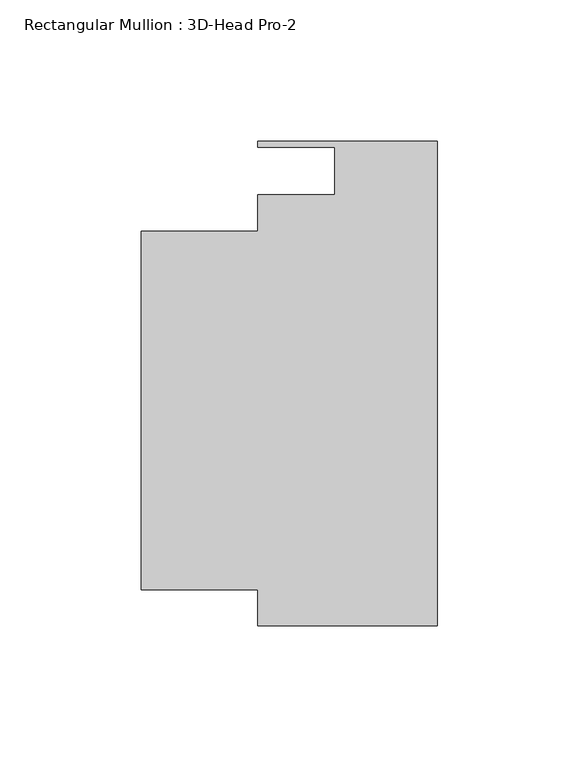
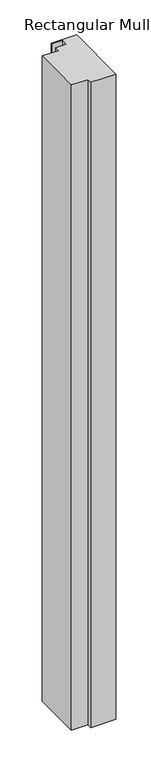
"""IFC4 building model written with IfcOpenShell, lengths in millimetres: member geometry, Rectangular Mullion : 3D-Head Pro-2."""

from ifc_helpers import new_model, si_unit, frame, origin, place, context, project, spatial, polyline, outline, extrude, source, transform, mapped, element, save


def rectangular_mullion_3d_head_pro_2_3b926e67(model_context):
    return source(origin(), model_context, "Body", "SweptSolid", [
        extrude(outline(polyline([(-104.7749997, -74.219659), (-104.7749997, 52.780341), (-63.4999996, 52.780341), (-63.4999996, 65.5916862), (-36.3401991, 65.5916862), (-36.3401991, 82.4923435), (-63.4999996, 82.4923435), (-63.4999996, 84.5243435), (0.0, 84.5243435), (0.0, -86.9256564), (-63.5254, -86.9256564), (-63.5254, -74.219659), (-104.7749997, -74.219659)])), frame((0.0, 0.0, -1714.5), z_axis=(0.0, 0.0, 1.0), x_axis=(1.0, 0.0, 0.0)), (0.0, 0.0, 1.0), 1714.5),
    ])


if __name__ == "__main__":
    model = new_model("IFC4")
    model_context = context("Model", 3, world=origin())
    ifc_project = project(units=[si_unit("LENGTHUNIT", "METRE", prefix="MILLI")], contexts=[model_context])
    site = spatial("IfcSite", under=ifc_project)
    building = spatial("IfcBuilding", under=site)
    placement = place(None, origin())
    rectangular_mullion_3d_head_pro_2_shape = rectangular_mullion_3d_head_pro_2_3b926e67(model_context)
    element("IfcMember", 1, ObjectType="Rectangular Mullion : 3D-Head Pro-2", at=placement, inside=building, context=model_context, shape_type="MappedRepresentation", body=[
        mapped(rectangular_mullion_3d_head_pro_2_shape, transform((0.0, 0.0, 0.0), x_axis=(1.0, 0.0, 0.0), y_axis=(0.0, 1.0, 0.0), z_axis=(0.0, 0.0, 1.0))),
    ])
    save(model, "model.ifc")
